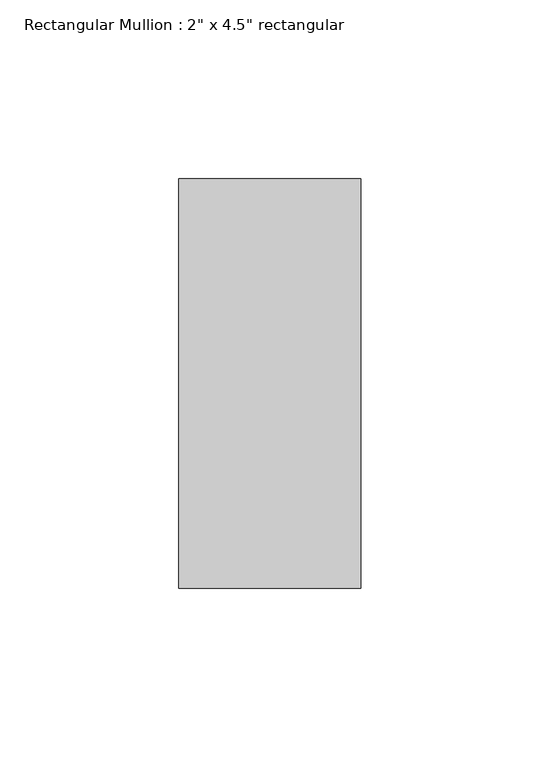
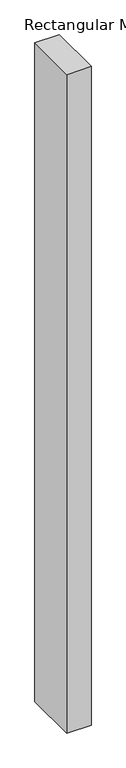
"""IFC4 building model written with IfcOpenShell, lengths in millimetres: member geometry."""

from ifc_helpers import new_model, si_unit, frame, origin, place, context, project, spatial, polyline, outline, extrude, source, transform, mapped, element, save


def member_cca1f9e6(model_context):
    return source(origin(), model_context, "Body", "SweptSolid", [
        extrude(outline(polyline([(0.0, 57.15), (0.0, -57.15), (-50.8, -57.15), (-50.8, 57.15), (0.0, 57.15)])), frame((0.0, 0.0, -1447.8), z_axis=(0.0, 0.0, 1.0), x_axis=(1.0, 0.0, 0.0)), (0.0, 0.0, 1.0), 1447.8),
    ])


if __name__ == "__main__":
    model = new_model("IFC4")
    model_context = context("Model", 3, world=origin())
    ifc_project = project(units=[si_unit("LENGTHUNIT", "METRE", prefix="MILLI")], contexts=[model_context])
    site = spatial("IfcSite", under=ifc_project)
    building = spatial("IfcBuilding", under=site)
    placement = place(None, origin())
    member_shape = member_cca1f9e6(model_context)
    element("IfcMember", 1, ObjectType="Rectangular Mullion : 2\" x 4.5\" rectangular", at=placement, inside=building, context=model_context, shape_type="MappedRepresentation", body=[
        mapped(member_shape, transform((0.0, 0.0, 0.0), x_axis=(1.0, 0.0, 0.0), y_axis=(0.0, 1.0, 0.0), z_axis=(0.0, 0.0, 1.0))),
    ])
    save(model, "model.ifc")
